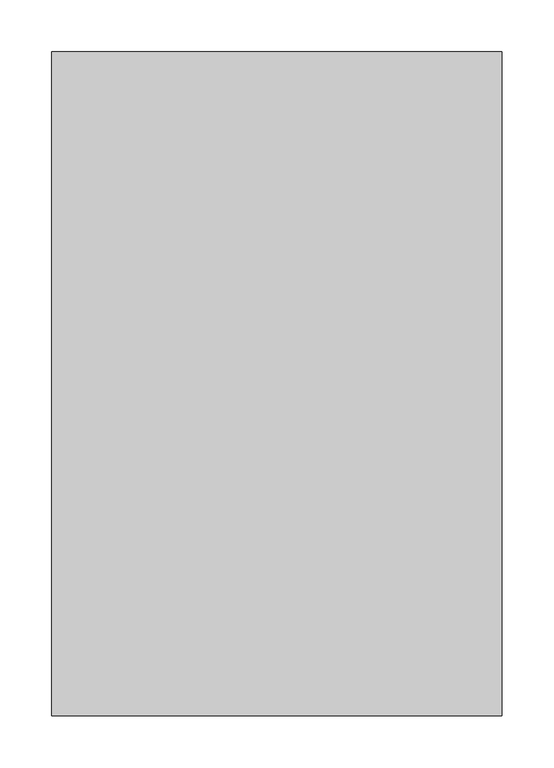
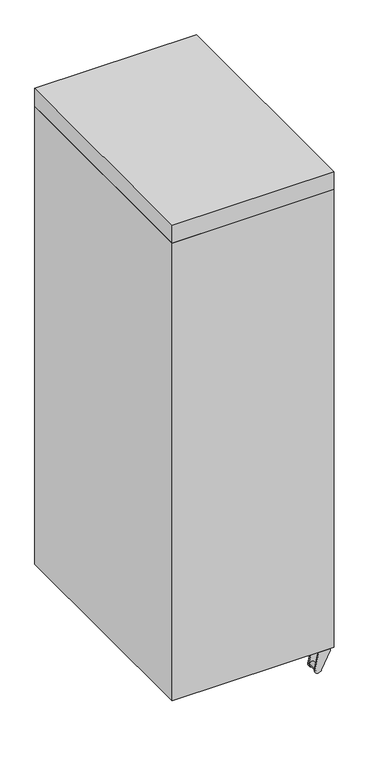
"""IFC4 building model written with IfcOpenShell, lengths in millimetres: proxy geometry."""

from ifc_helpers import new_model, si_unit, point, frame, frame_2d, origin, place, context, project, spatial, polyline, circle_curve, ellipse_curve, trimmed, segment, composite_curve, outline, extrude, source, transform, mapped, element, save
from ifc_brep_helpers import plane_surface, cylinder_surface, revolved_surface, advanced_brep


def specialty_equipment_5b8ca331(model_context):
    return source(origin(), model_context, "Body", "SolidModel", [
        advanced_brep(
        [(66.8796629, -634.365, 40.1410714), (84.780847, -634.365, 34.0000428), (107.9334069, -634.365, 82.55), (107.9334069, -634.365, 85.725), (76.1834069, -634.365, 85.725), (76.1834069, -634.365, 82.55), (66.8796629, -631.19, 40.1410714), (76.1834069, -631.19, 82.55), (107.9334069, -631.19, 82.55), (84.780847, -631.19, 34.0000428), (82.5334069, -631.19, 38.1), (69.8334069, -631.19, 38.1), (69.8334069, -605.79, 38.1), (82.5334069, -605.79, 38.1), (66.8796629, -602.615, 40.1410714), (76.1834069, -602.615, 82.55), (76.1834069, -602.615, 85.725), (107.9334069, -602.615, 85.725), (107.9334069, -602.615, 82.55), (84.780847, -602.615, 34.0000428), (66.8796629, -605.79, 40.1410714), (84.780847, -605.79, 34.0000428), (107.9334069, -605.79, 82.55), (76.1834069, -605.79, 82.55)],
        [
            (0, 1, circle_curve(frame((76.1834069, -634.365, 38.1), z_axis=(3.505140622195312e-12, -1.0, 0.0), x_axis=(1.0, 3.505140622195312e-12, 0.0)), 9.525)),
            (1, 2),
            (2, 3),
            (3, 4),
            (4, 5),
            (5, 0),
            (6, 7),
            (7, 8),
            (8, 9),
            (9, 6, circle_curve(frame((76.1834069, -631.19, 38.1), z_axis=(-3.505140622195312e-12, 1.0, 0.0), x_axis=(1.0, 3.505140622195312e-12, 0.0)), 9.525)),
            (10, 11, circle_curve(frame((76.1834069, -631.19, 38.1), z_axis=(3.505140622195312e-12, -1.0, 0.0), x_axis=(1.0, 3.505140622195312e-12, 0.0)), 6.35)),
            (11, 10, circle_curve(frame((76.1834069, -631.19, 38.1), z_axis=(3.505140622195312e-12, -1.0, 0.0), x_axis=(1.0, 3.505140622195312e-12, 0.0)), 6.35)),
            (5, 7),
            (6, 0),
            (1, 9),
            (8, 2),
            (12, 13, circle_curve(frame((76.1834069, -605.79, 38.1), z_axis=(3.505140622195312e-12, -1.0, 0.0), x_axis=(1.0, 3.505140622195312e-12, 0.0)), 6.35)),
            (13, 10),
            (11, 12),
            (13, 12, circle_curve(frame((76.1834069, -605.79, 38.1), z_axis=(3.505140622195312e-12, -1.0, 0.0), x_axis=(1.0, 3.505140622195312e-12, 0.0)), 6.35)),
            (14, 15),
            (15, 16),
            (16, 17),
            (17, 18),
            (18, 19),
            (19, 14, circle_curve(frame((76.1834069, -602.615, 38.1), z_axis=(-3.505140622195312e-12, 1.0, 0.0), x_axis=(1.0, 3.505140622195312e-12, 0.0)), 9.525)),
            (20, 21, circle_curve(frame((76.1834069, -605.79, 38.1), z_axis=(3.505140622195312e-12, -1.0, 0.0), x_axis=(1.0, 3.505140622195312e-12, 0.0)), 9.525)),
            (21, 22),
            (22, 23),
            (23, 20),
            (19, 21),
            (20, 14),
            (18, 22),
            (23, 15),
            (3, 17),
            (16, 4),
            (22, 8),
            (7, 23),
        ],
        [
            plane_surface(frame((76.1834069, -634.365, 82.55), z_axis=(3.505140622195312e-12, -1.0, 0.0), x_axis=(0.21428571428571286, 0.0, 0.9767710236555248))),
            plane_surface(frame((76.1834069, -631.19, 82.55), z_axis=(-3.505140622195312e-12, 1.0, 0.0), x_axis=(-0.21428571428571286, 0.0, -0.9767710236555248))),
            plane_surface(frame((66.8796629, -634.365, 40.1410714), z_axis=(-0.9767710236555248, -3.4238282369663023e-12, 0.21428571428571286), x_axis=(-3.505251644497774e-12, 1.0, 0.0))),
            plane_surface(frame((107.9334069, -634.365, 82.55), z_axis=(0.9026183812343395, 3.163904565175587e-12, -0.4304417008816649), x_axis=(-3.505251644497774e-12, 1.0, 0.0))),
            cylinder_surface(frame((76.1834069, -631.19, 38.1), z_axis=(3.505140622195312e-12, -1.0, 0.0), x_axis=(1.0, 3.505140622195312e-12, 0.0)), 9.525),
            cylinder_surface(frame((76.1834069, -631.19, 38.1), z_axis=(-3.505140622195312e-12, 1.0, 0.0), x_axis=(1.0, 3.505140622195312e-12, 0.0)), 6.35),
            plane_surface(frame((85.7084069, -602.615, 38.1), z_axis=(-3.505140622195312e-12, 1.0, 0.0), x_axis=(0.0, 0.0, 1.0))),
            plane_surface(frame((85.7084069, -605.79, 38.1), z_axis=(3.505140622195312e-12, -1.0, 0.0), x_axis=(0.0, 0.0, -1.0))),
            cylinder_surface(frame((76.1834069, -605.79, 38.1), z_axis=(-3.505140622195312e-12, 1.0, 0.0), x_axis=(1.0, 3.505140622195312e-12, 0.0)), 9.525),
            plane_surface(frame((84.780847, -602.615, 34.0000428), z_axis=(0.9026183812343395, 3.163904565175587e-12, -0.4304417008816649), x_axis=(3.505251644497774e-12, -1.0, 0.0))),
            plane_surface(frame((76.1834069, -602.615, 82.55), z_axis=(-0.9767710236555248, -3.4238282369663023e-12, 0.21428571428571286), x_axis=(3.505251644497774e-12, -1.0, 0.0))),
            plane_surface(frame((76.1834069, -634.365, 85.725), z_axis=(0.0, 0.0, 1.0), x_axis=(-1.0, -3.5051184177348208e-12, 0.0))),
            plane_surface(frame((76.1834069, -634.365, 82.55), z_axis=(0.0, 0.0, -1.0), x_axis=(1.0, 3.5051184177348208e-12, 0.0))),
            plane_surface(frame((76.1834069, -634.365, 85.725), z_axis=(-1.0, -3.505185031116222e-12, 0.0), x_axis=(0.0, 0.0, -1.0))),
            plane_surface(frame((107.9334069, -602.615, 85.725), z_axis=(1.0, 3.505118417734744e-12, 0.0), x_axis=(0.0, 0.0, -1.0))),
        ],
        [
            (0, [[1, 2, 3, 4, 5, 6]]),
            (1, [[7, 8, 9, 10], [11, 12]]),
            (2, [[13, -7, 14, -6]]),
            (3, [[15, -9, 16, -2]]),
            (4, [[-14, -10, -15, -1]]),
            (5, [[17, 18, -12, 19]]),
            (5, [[-11, -18, 20, -19]]),
            (6, [[21, 22, 23, 24, 25, 26]]),
            (7, [[27, 28, 29, 30], [-20, -17]]),
            (8, [[31, -27, 32, -26]]),
            (9, [[33, -28, -31, -25]]),
            (10, [[-32, -30, 34, -21]]),
            (11, [[35, -23, 36, -4]]),
            (12, [[-29, 37, -8, 38]]),
            (13, [[-22, -34, -38, -13, -5, -36]]),
            (14, [[-3, -16, -37, -33, -24, -35]]),
        ],
    ),
        extrude(outline(composite_curve([segment(trimmed(circle_curve(frame_2d((92.0584069, -618.49)), 15.875), [point((76.1834069, -618.49))], [point((107.9334069, -618.49))], False, "CARTESIAN"), True, "CONTINUOUS"), segment(trimmed(circle_curve(frame_2d((92.0584069, -618.49)), 15.875), [point((107.9334069, -618.49))], [point((76.1834069, -618.49))], False, "CARTESIAN"), True, "CONTINUOUS")], self_intersect=False)), frame((0.0, 0.0, 85.725), z_axis=(0.0, 0.0, 1.0), x_axis=(1.0, 0.0, 0.0)), (0.0, 0.0, 1.0), 6.35),
        advanced_brep(
        [(76.1834069, -31.115, 6.35), (76.1834069, -31.115, 69.85), (76.1834069, -24.765, 76.2), (76.1834069, -24.765, 0.0), (76.1834069, -31.115, 10.16), (76.1834069, -31.115, 66.04), (76.1834069, -12.065, 10.16), (76.1834069, -12.065, 66.04), (76.1834069, -12.065, 6.35), (76.1834069, -12.065, 69.85), (76.1834069, -18.415, 0.0), (76.1834069, -18.415, 76.2)],
        [
            (0, 1, circle_curve(frame((76.1834069, -31.115, 38.1), z_axis=(0.0, 1.0, 0.0), x_axis=(0.0, 0.0, 1.0)), 31.75)),
            (1, 2, circle_curve(frame((76.1834069, -24.765, 69.85), z_axis=(-1.0, 0.0, 0.0), x_axis=(0.0, 1.0, 0.0)), 6.35)),
            (2, 3, circle_curve(frame((76.1834069, -24.765, 38.1), z_axis=(0.0, -1.0, 0.0), x_axis=(0.0, 0.0, 1.0)), 38.1)),
            (3, 0, circle_curve(frame((76.1834069, -24.765, 6.35), z_axis=(-1.0, 0.0, 0.0), x_axis=(0.0, 1.0, 0.0)), 6.35)),
            (1, 0, circle_curve(frame((76.1834069, -31.115, 38.1), z_axis=(0.0, 1.0, 0.0), x_axis=(0.0, 0.0, 1.0)), 31.75)),
            (3, 2, circle_curve(frame((76.1834069, -24.765, 38.1), z_axis=(0.0, -1.0, 0.0), x_axis=(0.0, 0.0, 1.0)), 38.1)),
            (4, 5, circle_curve(frame((76.1834069, -31.115, 38.1), z_axis=(0.0, 1.0, 0.0), x_axis=(0.0, 0.0, 1.0)), 27.94)),
            (5, 1),
            (0, 4),
            (5, 4, circle_curve(frame((76.1834069, -31.115, 38.1), z_axis=(0.0, 1.0, 0.0), x_axis=(0.0, 0.0, 1.0)), 27.94)),
            (6, 7, circle_curve(frame((76.1834069, -12.065, 38.1), z_axis=(0.0, 1.0, 0.0), x_axis=(0.0, 0.0, 1.0)), 27.94)),
            (7, 5),
            (4, 6),
            (7, 6, circle_curve(frame((76.1834069, -12.065, 38.1), z_axis=(0.0, 1.0, 0.0), x_axis=(0.0, 0.0, 1.0)), 27.94)),
            (8, 9, circle_curve(frame((76.1834069, -12.065, 38.1), z_axis=(0.0, 1.0, 0.0), x_axis=(0.0, 0.0, 1.0)), 31.75)),
            (9, 7),
            (6, 8),
            (9, 8, circle_curve(frame((76.1834069, -12.065, 38.1), z_axis=(0.0, 1.0, 0.0), x_axis=(0.0, 0.0, 1.0)), 31.75)),
            (10, 11, circle_curve(frame((76.1834069, -18.415, 38.1), z_axis=(0.0, 1.0, 0.0), x_axis=(0.0, 0.0, 1.0)), 38.1)),
            (11, 9, circle_curve(frame((76.1834069, -18.415, 69.85), z_axis=(-1.0, 0.0, 0.0), x_axis=(0.0, 1.0, 0.0)), 6.35)),
            (8, 10, circle_curve(frame((76.1834069, -18.415, 6.35), z_axis=(-1.0, 0.0, 0.0), x_axis=(0.0, 1.0, 0.0)), 6.35)),
            (11, 10, circle_curve(frame((76.1834069, -18.415, 38.1), z_axis=(0.0, 1.0, 0.0), x_axis=(0.0, 0.0, 1.0)), 38.1)),
            (2, 11),
            (10, 3),
        ],
        [
            revolved_surface(trimmed(ellipse_curve(frame((76.1834069, -24.765, 69.85), z_axis=(1.0, 0.0, 0.0), x_axis=(0.0, 1.0, 0.0)), 6.35, 6.35), [point((76.1834069, -24.765, 76.2))], [point((76.1834069, -31.115, 69.85))], True, "CARTESIAN"), (76.1834069, -43.815, 38.1), (0.0, -1.0, 0.0)),
            plane_surface(frame((76.1834069, -31.115, 38.1), z_axis=(0.0, -1.0, 0.0), x_axis=(0.0, 0.0, 1.0))),
            revolved_surface(polyline([(76.1834069, -31.115, 66.04), (76.1834069, -12.064999999999998, 66.04)]), (76.1834069, -43.815, 38.1), (0.0, -1.0, 0.0)),
            plane_surface(frame((76.1834069, -12.065, 38.1), z_axis=(0.0, 1.0, 0.0), x_axis=(0.0, 0.0, 1.0))),
            revolved_surface(trimmed(ellipse_curve(frame((76.1834069, -18.415, 69.85), z_axis=(1.0, 0.0, 0.0), x_axis=(0.0, 1.0, 0.0)), 6.35, 6.35), [point((76.1834069, -12.065, 69.85))], [point((76.1834069, -18.415, 76.2))], True, "CARTESIAN"), (76.1834069, -43.815, 38.1), (0.0, -1.0, 0.0)),
            cylinder_surface(frame((76.1834069, -43.815, 38.1), z_axis=(0.0, -1.0, 0.0), x_axis=(0.0, 0.0, 1.0)), 38.1),
        ],
        [
            (0, [[1, 2, 3, 4]]),
            (0, [[5, -4, 6, -2]]),
            (1, [[7, 8, -1, 9]]),
            (1, [[10, -9, -5, -8]]),
            (2, [[11, 12, -7, 13]]),
            (2, [[14, -13, -10, -12]]),
            (3, [[15, 16, -11, 17]]),
            (3, [[18, -17, -14, -16]]),
            (4, [[19, 20, -15, 21]]),
            (4, [[22, -21, -18, -20]]),
            (5, [[-3, 23, -19, 24]]),
            (5, [[-6, -24, -22, -23]]),
        ],
    ),
        advanced_brep(
        [(48.2434069, -31.115, 38.1), (104.1234069, -31.115, 38.1), (53.3234069, -31.115, 38.1), (99.0434069, -31.115, 38.1), (69.8334069, -31.115, 38.1), (82.5334069, -31.115, 38.1), (48.2434069, -24.765, 38.1), (104.1234069, -24.765, 38.1), (69.8334069, -24.765, 38.1), (82.5334069, -24.765, 38.1), (53.3234069, -24.765, 38.1), (99.0434069, -24.765, 38.1), (99.0434069, -18.415, 38.1), (53.3234069, -18.415, 38.1), (82.5334069, -18.415, 38.1), (69.8334069, -18.415, 38.1), (48.2434069, -18.415, 38.1), (104.1234069, -18.415, 38.1), (48.2434069, -12.065, 38.1), (104.1234069, -12.065, 38.1), (53.3234069, -12.065, 38.1), (99.0434069, -12.065, 38.1), (69.8334069, -12.065, 38.1), (82.5334069, -12.065, 38.1)],
        [
            (0, 1, circle_curve(frame((76.1834069, -31.115, 38.1), z_axis=(-3.5086933358741127e-12, -1.0, 0.0), x_axis=(1.0, -3.5086933358741127e-12, 0.0)), 27.94)),
            (1, 0, circle_curve(frame((76.1834069, -31.115, 38.1), z_axis=(-3.5086933358741127e-12, -1.0, 0.0), x_axis=(1.0, -3.5086933358741127e-12, 0.0)), 27.94)),
            (2, 3, circle_curve(frame((76.1834069, -31.115, 38.1), z_axis=(3.5086933358741127e-12, 1.0, 0.0), x_axis=(1.0, -3.5086933358741127e-12, 0.0)), 22.86)),
            (3, 2, circle_curve(frame((76.1834069, -31.115, 38.1), z_axis=(3.5086933358741127e-12, 1.0, 0.0), x_axis=(1.0, -3.5086933358741127e-12, 0.0)), 22.86)),
            (4, 5, circle_curve(frame((76.1834069, -31.115, 38.1), z_axis=(-3.5086933358741127e-12, -1.0, 0.0), x_axis=(1.0, -3.5086933358741127e-12, 0.0)), 6.35)),
            (5, 4, circle_curve(frame((76.1834069, -31.115, 38.1), z_axis=(-3.5086933358741127e-12, -1.0, 0.0), x_axis=(1.0, -3.5086933358741127e-12, 0.0)), 6.35)),
            (0, 6),
            (6, 7, circle_curve(frame((76.1834069, -24.765, 38.1), z_axis=(-3.5086933358741127e-12, -1.0, 0.0), x_axis=(1.0, -3.5086933358741127e-12, 0.0)), 27.94)),
            (7, 1),
            (7, 6, circle_curve(frame((76.1834069, -24.765, 38.1), z_axis=(-3.5086933358741127e-12, -1.0, 0.0), x_axis=(1.0, -3.5086933358741127e-12, 0.0)), 27.94)),
            (4, 8),
            (8, 9, circle_curve(frame((76.1834069, -24.765, 38.1), z_axis=(-3.5086933358741127e-12, -1.0, 0.0), x_axis=(1.0, -3.5086933358741127e-12, 0.0)), 6.35)),
            (9, 5),
            (9, 8, circle_curve(frame((76.1834069, -24.765, 38.1), z_axis=(-3.5086933358741127e-12, -1.0, 0.0), x_axis=(1.0, -3.5086933358741127e-12, 0.0)), 6.35)),
            (2, 10),
            (10, 11, circle_curve(frame((76.1834069, -24.765, 38.1), z_axis=(3.5086933358741127e-12, 1.0, 0.0), x_axis=(1.0, -3.5086933358741127e-12, 0.0)), 22.86)),
            (11, 3),
            (11, 10, circle_curve(frame((76.1834069, -24.765, 38.1), z_axis=(3.5086933358741127e-12, 1.0, 0.0), x_axis=(1.0, -3.5086933358741127e-12, 0.0)), 22.86)),
            (12, 13, circle_curve(frame((76.1834069, -18.415, 38.1), z_axis=(3.5086933358741127e-12, 1.0, 0.0), x_axis=(1.0, -3.5086933358741127e-12, 0.0)), 22.86)),
            (13, 12, circle_curve(frame((76.1834069, -18.415, 38.1), z_axis=(3.5086933358741127e-12, 1.0, 0.0), x_axis=(1.0, -3.5086933358741127e-12, 0.0)), 22.86)),
            (14, 15, circle_curve(frame((76.1834069, -18.415, 38.1), z_axis=(-3.5086933358741127e-12, -1.0, 0.0), x_axis=(1.0, -3.5086933358741127e-12, 0.0)), 6.35)),
            (15, 14, circle_curve(frame((76.1834069, -18.415, 38.1), z_axis=(-3.5086933358741127e-12, -1.0, 0.0), x_axis=(1.0, -3.5086933358741127e-12, 0.0)), 6.35)),
            (6, 16),
            (16, 17, circle_curve(frame((76.1834069, -18.415, 38.1), z_axis=(-3.5086933358741127e-12, -1.0, 0.0), x_axis=(1.0, -3.5086933358741127e-12, 0.0)), 27.94)),
            (17, 7),
            (17, 16, circle_curve(frame((76.1834069, -18.415, 38.1), z_axis=(-3.5086933358741127e-12, -1.0, 0.0), x_axis=(1.0, -3.5086933358741127e-12, 0.0)), 27.94)),
            (18, 19, circle_curve(frame((76.1834069, -12.065, 38.1), z_axis=(3.5086933358741127e-12, 1.0, 0.0), x_axis=(1.0, -3.5086933358741127e-12, 0.0)), 27.94)),
            (19, 18, circle_curve(frame((76.1834069, -12.065, 38.1), z_axis=(3.5086933358741127e-12, 1.0, 0.0), x_axis=(1.0, -3.5086933358741127e-12, 0.0)), 27.94)),
            (20, 21, circle_curve(frame((76.1834069, -12.065, 38.1), z_axis=(-3.5086933358741127e-12, -1.0, 0.0), x_axis=(1.0, -3.5086933358741127e-12, 0.0)), 22.86)),
            (21, 20, circle_curve(frame((76.1834069, -12.065, 38.1), z_axis=(-3.5086933358741127e-12, -1.0, 0.0), x_axis=(1.0, -3.5086933358741127e-12, 0.0)), 22.86)),
            (22, 23, circle_curve(frame((76.1834069, -12.065, 38.1), z_axis=(3.5086933358741127e-12, 1.0, 0.0), x_axis=(1.0, -3.5086933358741127e-12, 0.0)), 6.35)),
            (23, 22, circle_curve(frame((76.1834069, -12.065, 38.1), z_axis=(3.5086933358741127e-12, 1.0, 0.0), x_axis=(1.0, -3.5086933358741127e-12, 0.0)), 6.35)),
            (18, 16),
            (17, 19),
            (22, 15),
            (14, 23),
            (20, 13),
            (12, 21),
        ],
        [
            plane_surface(frame((104.1234069, -31.115, 38.1), z_axis=(-3.5086933358741127e-12, -1.0, 0.0), x_axis=(0.0, 0.0, 1.0))),
            cylinder_surface(frame((76.1834069, -24.765, 38.1), z_axis=(-3.5086933358741127e-12, -1.0, 0.0), x_axis=(1.0, -3.5086933358741127e-12, 0.0)), 27.94),
            cylinder_surface(frame((76.1834069, -21.59, 38.1), z_axis=(-3.5086933358741127e-12, -1.0, 0.0), x_axis=(1.0, -3.5086933358741127e-12, 0.0)), 6.35),
            revolved_surface(polyline([(99.04340689998885, -24.765, 38.1), (99.04340689996657, -31.115000000160418, 38.1)]), (76.1834069, -21.59, 38.1), (3.5086933358741127e-12, 1.0, 0.0)),
            plane_surface(frame((104.1234069, -24.765, 38.1), z_axis=(-3.5086933358741127e-12, -1.0, 0.0), x_axis=(0.0, 0.0, 1.0))),
            plane_surface(frame((104.1234069, -18.415, 38.1), z_axis=(3.5086933358741127e-12, 1.0, 0.0), x_axis=(0.0, 0.0, -1.0))),
            cylinder_surface(frame((76.1834069, -18.415, 38.1), z_axis=(-3.5086933358741127e-12, -1.0, 0.0), x_axis=(1.0, -3.5086933358741127e-12, 0.0)), 27.94),
            plane_surface(frame((104.1234069, -12.065, 38.1), z_axis=(3.5086933358741127e-12, 1.0, 0.0), x_axis=(0.0, 0.0, -1.0))),
            cylinder_surface(frame((76.1834069, -18.415, 38.1), z_axis=(3.5086933358741127e-12, 1.0, 0.0), x_axis=(1.0, -3.5086933358741127e-12, 0.0)), 27.94),
            cylinder_surface(frame((76.1834069, -21.59, 38.1), z_axis=(3.5086933358741127e-12, 1.0, 0.0), x_axis=(1.0, -3.5086933358741127e-12, 0.0)), 6.35),
            revolved_surface(polyline([(99.04340690001114, -18.41500000016042, 38.1), (99.04340690003342, -12.065, 38.1)]), (76.1834069, -21.59, 38.1), (-3.5086933358741127e-12, -1.0, 0.0)),
        ],
        [
            (0, [[1, 2], [3, 4]]),
            (0, [[5, 6]]),
            (1, [[-1, 7, 8, 9]]),
            (1, [[-2, -9, 10, -7]]),
            (2, [[-5, 11, 12, 13]]),
            (2, [[-6, -13, 14, -11]]),
            (3, [[-3, 15, 16, 17]]),
            (3, [[-4, -17, 18, -15]]),
            (4, [[-16, -18], [-12, -14]]),
            (5, [[19, 20], [21, 22]]),
            (6, [[23, 24, 25, -8]]),
            (6, [[-23, -10, -25, 26]]),
            (7, [[27, 28], [29, 30]]),
            (7, [[31, 32]]),
            (8, [[-27, 33, -26, 34]]),
            (8, [[-28, -34, -24, -33]]),
            (9, [[-31, 35, -21, 36]]),
            (9, [[-32, -36, -22, -35]]),
            (10, [[-29, 37, -19, 38]]),
            (10, [[-30, -38, -20, -37]]),
        ],
    ),
        advanced_brep(
        [(66.8796629, -5.715, 40.1410714), (76.1834069, -5.715, 82.55), (76.1834069, -5.715, 85.725), (107.9334069, -5.715, 85.725), (107.9334069, -5.715, 82.55), (84.780847, -5.715, 34.0000428), (66.8796629, -8.89, 40.1410714), (84.780847, -8.89, 34.0000428), (107.9334069, -8.89, 82.55), (76.1834069, -8.89, 82.55), (82.5334069, -8.89, 38.1), (69.8334069, -8.89, 38.1), (69.8334069, -34.29, 38.1), (82.5334069, -34.29, 38.1), (66.8796629, -37.465, 40.1410714), (84.780847, -37.465, 34.0000428), (107.9334069, -37.465, 82.55), (107.9334069, -37.465, 85.725), (76.1834069, -37.465, 85.725), (76.1834069, -37.465, 82.55), (66.8796629, -34.29, 40.1410714), (76.1834069, -34.29, 82.55), (107.9334069, -34.29, 82.55), (84.780847, -34.29, 34.0000428)],
        [
            (0, 1),
            (1, 2),
            (2, 3),
            (3, 4),
            (4, 5),
            (5, 0, circle_curve(frame((76.1834069, -5.715, 38.1), z_axis=(3.5086933358741127e-12, 1.0, 0.0), x_axis=(1.0, -3.5086933358741127e-12, 0.0)), 9.525)),
            (6, 7, circle_curve(frame((76.1834069, -8.89, 38.1), z_axis=(-3.5086933358741127e-12, -1.0, 0.0), x_axis=(1.0, -3.5086933358741127e-12, 0.0)), 9.525)),
            (7, 8),
            (8, 9),
            (9, 6),
            (10, 11, circle_curve(frame((76.1834069, -8.89, 38.1), z_axis=(3.5086933358741127e-12, 1.0, 0.0), x_axis=(1.0, -3.5086933358741127e-12, 0.0)), 6.35)),
            (11, 10, circle_curve(frame((76.1834069, -8.89, 38.1), z_axis=(3.5086933358741127e-12, 1.0, 0.0), x_axis=(1.0, -3.5086933358741127e-12, 0.0)), 6.35)),
            (0, 6),
            (9, 1),
            (4, 8),
            (7, 5),
            (12, 11),
            (10, 13),
            (13, 12, circle_curve(frame((76.1834069, -34.29, 38.1), z_axis=(3.5086933358741127e-12, 1.0, 0.0), x_axis=(1.0, -3.5086933358741127e-12, 0.0)), 6.35)),
            (12, 13, circle_curve(frame((76.1834069, -34.29, 38.1), z_axis=(3.5086933358741127e-12, 1.0, 0.0), x_axis=(1.0, -3.5086933358741127e-12, 0.0)), 6.35)),
            (14, 15, circle_curve(frame((76.1834069, -37.465, 38.1), z_axis=(-3.5086933358741127e-12, -1.0, 0.0), x_axis=(1.0, -3.5086933358741127e-12, 0.0)), 9.525)),
            (15, 16),
            (16, 17),
            (17, 18),
            (18, 19),
            (19, 14),
            (20, 21),
            (21, 22),
            (22, 23),
            (23, 20, circle_curve(frame((76.1834069, -34.29, 38.1), z_axis=(3.5086933358741127e-12, 1.0, 0.0), x_axis=(1.0, -3.5086933358741127e-12, 0.0)), 9.525)),
            (14, 20),
            (23, 15),
            (22, 16),
            (19, 21),
            (2, 18),
            (17, 3),
            (21, 9),
            (8, 22),
        ],
        [
            plane_surface(frame((76.1834069, -5.715, 82.55), z_axis=(3.5086933358741123e-12, 1.0, 0.0), x_axis=(0.21428571428571286, 0.0, 0.9767710236555248))),
            plane_surface(frame((76.1834069, -8.89, 82.55), z_axis=(-3.5086933358741123e-12, -1.0, 0.0), x_axis=(-0.21428571428571286, 0.0, -0.9767710236555248))),
            plane_surface(frame((66.8796629, -5.715, 40.1410714), z_axis=(-0.9767710236555248, 3.4272984247430995e-12, 0.21428571428571286), x_axis=(-3.5088043581765744e-12, -1.0, 0.0))),
            plane_surface(frame((107.9334069, -5.715, 82.55), z_axis=(0.9026183812343395, -3.167111309845335e-12, -0.4304417008816649), x_axis=(-3.5088043581765744e-12, -1.0, 0.0))),
            cylinder_surface(frame((76.1834069, -8.89, 38.1), z_axis=(3.5086933358741127e-12, 1.0, 0.0), x_axis=(1.0, -3.5086933358741127e-12, 0.0)), 9.525),
            cylinder_surface(frame((76.1834069, -8.89, 38.1), z_axis=(-3.5086933358741127e-12, -1.0, 0.0), x_axis=(1.0, -3.5086933358741127e-12, 0.0)), 6.35),
            plane_surface(frame((85.7084069, -37.465, 38.1), z_axis=(-3.5086933358741127e-12, -1.0, 0.0), x_axis=(0.0, 0.0, 1.0))),
            plane_surface(frame((85.7084069, -34.29, 38.1), z_axis=(3.5086933358741127e-12, 1.0, 0.0), x_axis=(0.0, 0.0, -1.0))),
            cylinder_surface(frame((76.1834069, -34.29, 38.1), z_axis=(-3.5086933358741127e-12, -1.0, 0.0), x_axis=(1.0, -3.5086933358741127e-12, 0.0)), 9.525),
            plane_surface(frame((84.780847, -37.465, 34.0000428), z_axis=(0.9026183812343395, -3.167111309845335e-12, -0.4304417008816649), x_axis=(3.5088043581765744e-12, 1.0, 0.0))),
            plane_surface(frame((76.1834069, -37.465, 82.55), z_axis=(-0.9767710236555248, 3.4272984247430995e-12, 0.21428571428571286), x_axis=(3.5088043581765744e-12, 1.0, 0.0))),
            plane_surface(frame((76.1834069, -5.715, 85.725), z_axis=(0.0, 0.0, 1.0), x_axis=(-1.0, 3.5086711314136213e-12, 0.0))),
            plane_surface(frame((76.1834069, -5.715, 82.55), z_axis=(0.0, 0.0, -1.0), x_axis=(1.0, -3.5086711314136213e-12, 0.0))),
            plane_surface(frame((76.1834069, -5.715, 85.725), z_axis=(-1.0, 3.5087377447950223e-12, 0.0), x_axis=(0.0, 0.0, -1.0))),
            plane_surface(frame((107.9334069, -37.465, 85.725), z_axis=(1.0, -3.5086711314135446e-12, 0.0), x_axis=(0.0, 0.0, -1.0))),
        ],
        [
            (0, [[1, 2, 3, 4, 5, 6]]),
            (1, [[7, 8, 9, 10], [11, 12]]),
            (2, [[-1, 13, -10, 14]]),
            (3, [[-5, 15, -8, 16]]),
            (4, [[-6, -16, -7, -13]]),
            (5, [[17, -11, 18, 19]]),
            (5, [[-17, 20, -18, -12]]),
            (6, [[21, 22, 23, 24, 25, 26]]),
            (7, [[27, 28, 29, 30], [-19, -20]]),
            (8, [[-21, 31, -30, 32]]),
            (9, [[-22, -32, -29, 33]]),
            (10, [[-26, 34, -27, -31]]),
            (11, [[-3, 35, -24, 36]]),
            (12, [[37, -9, 38, -28]]),
            (13, [[-35, -2, -14, -37, -34, -25]]),
            (14, [[-36, -23, -33, -38, -15, -4]]),
        ],
    ),
        extrude(outline(composite_curve([segment(trimmed(circle_curve(frame_2d((92.0584069, -21.59)), 15.875), [point((76.1834069, -21.59))], [point((107.9334069, -21.59))], False, "CARTESIAN"), True, "CONTINUOUS"), segment(trimmed(circle_curve(frame_2d((92.0584069, -21.59)), 15.875), [point((107.9334069, -21.59))], [point((76.1834069, -21.59))], False, "CARTESIAN"), True, "CONTINUOUS")], self_intersect=False)), frame((0.0, 0.0, 85.725), z_axis=(0.0, 0.0, 1.0), x_axis=(1.0, 0.0, 0.0)), (0.0, 0.0, 1.0), 6.35),
        extrude(outline(polyline([(-320.04, -640.08), (-320.04, 0.0), (114.3, 0.0), (114.3, -640.08), (-320.04, -640.08)])), frame((0.0, 0.0, 1391.843229), z_axis=(0.0, 0.0, 1.0), x_axis=(1.0, 0.0, 0.0)), (0.0, 0.0, 1.0), 50.8),
        extrude(outline(polyline([(114.3, -640.08), (-320.04, -640.08), (-320.04, 0.0), (114.3, 0.0), (114.3, -640.08)])), frame((0.0, 0.0, 91.363229), z_axis=(0.0, 0.0, 1.0), x_axis=(1.0, 0.0, 0.0)), (0.0, 0.0, 1.0), 1300.48),
    ])


if __name__ == "__main__":
    model = new_model("IFC4")
    model_context = context("Model", 3, world=origin())
    ifc_project = project(units=[si_unit("LENGTHUNIT", "METRE", prefix="MILLI")], contexts=[model_context])
    site = spatial("IfcSite", under=ifc_project)
    building = spatial("IfcBuilding", under=site)
    placement = place(None, origin())
    specialty_equipment_shape = specialty_equipment_5b8ca331(model_context)
    element("IfcBuildingElementProxy", 1, Name="Specialty Equipment", at=placement, inside=building, context=model_context, shape_type="MappedRepresentation", body=[
        mapped(specialty_equipment_shape, transform((0.0, 0.0, 0.0), x_axis=(1.0, 0.0, 0.0), y_axis=(0.0, 1.0, 0.0), z_axis=(0.0, 0.0, 1.0))),
    ])
    save(model, "model.ifc")
